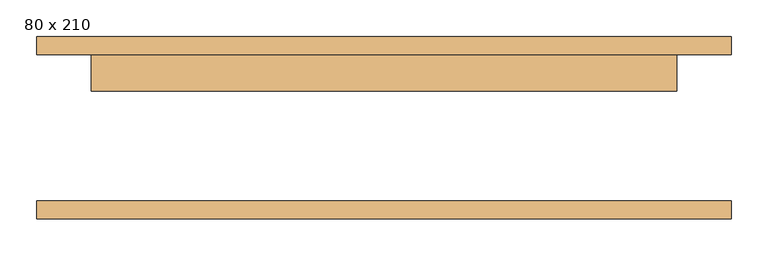
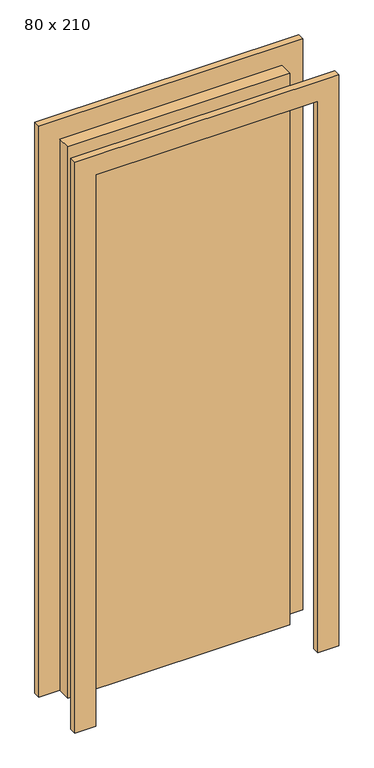
"""IFC4 building model written with IfcOpenShell, lengths in millimetres: door geometry, 80 x 210."""

from ifc_helpers import new_model, si_unit, frame, origin, origin_with_axes, place, context, project, spatial, polyline, outline, extrude, source, transform, mapped, element, save


def door_80_x_210_53d1989a(model_context):
    return source(origin(), model_context, "Body", "SweptSolid", [
        extrude(outline(polyline([(2175.0, -475.0), (0.0, -475.0), (0.0, -400.0), (2100.0, -400.0), (2100.0, 400.0), (0.0, 400.0), (0.0, 475.0), (2175.0, 475.0), (2175.0, -475.0)])), frame((0.0, 100.0, 0.0), z_axis=(0.0, 1.0, 0.0), x_axis=(0.0, 0.0, 1.0)), (0.0, 0.0, 1.0), 25.0),
        extrude(outline(polyline([(2175.0, 475.0), (2175.0, -475.0), (0.0, -475.0), (0.0, -400.0), (2100.0, -400.0), (2100.0, 400.0), (0.0, 400.0), (0.0, 475.0), (2175.0, 475.0)])), frame((0.0, -125.0, 0.0), z_axis=(0.0, 1.0, 0.0), x_axis=(0.0, 0.0, 1.0)), (0.0, 0.0, 1.0), 25.0),
        extrude(outline(polyline([(400.0, 50.0), (-400.0, 50.0), (-400.0, 100.0), (400.0, 100.0), (400.0, 50.0)])), origin_with_axes(), (0.0, 0.0, 1.0), 2100.0),
    ])


if __name__ == "__main__":
    model = new_model("IFC4")
    model_context = context("Model", 3, world=origin())
    ifc_project = project(units=[si_unit("LENGTHUNIT", "METRE", prefix="MILLI")], contexts=[model_context])
    site = spatial("IfcSite", under=ifc_project)
    building = spatial("IfcBuilding", under=site)
    placement = place(None, origin())
    door_80_x_210_shape = door_80_x_210_53d1989a(model_context)
    element("IfcDoor", 1, ObjectType="80 x 210", at=placement, inside=building, context=model_context, shape_type="MappedRepresentation", body=[
        mapped(door_80_x_210_shape, transform((0.0, 0.0, 0.0), x_axis=(1.0, 0.0, 0.0), y_axis=(0.0, 1.0, 0.0), z_axis=(0.0, 0.0, 1.0))),
    ])
    save(model, "model.ifc")
